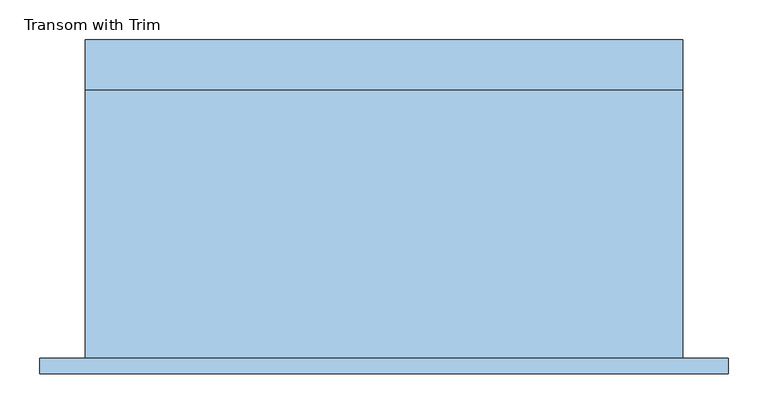
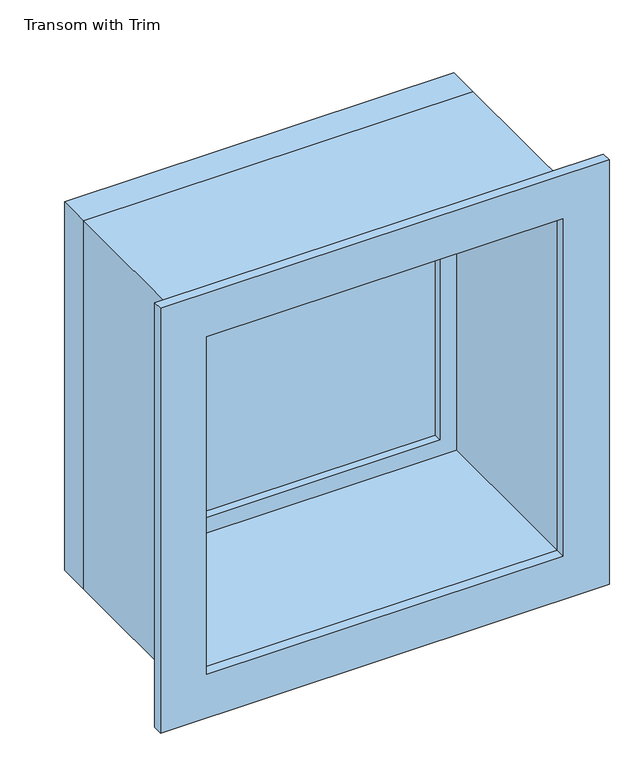
"""IFC4 building model written with IfcOpenShell, lengths in millimetres: window geometry, Transom with Trim."""

from ifc_helpers import new_model, si_unit, frame, origin, place, context, project, spatial, polyline, outline, extrude, source, transform, mapped, element, save


def transom_with_trim_39e97bac(model_context):
    return source(origin(), model_context, "Body", "SweptSolid", [
        extrude(outline(polyline([(2807.15, 394.05), (2807.15, -470.25), (1942.85, -470.25), (1942.85, 394.05), (2807.15, 394.05)]), holes=[polyline([(2718.25, 305.15), (2031.75, 305.15), (2031.75, -381.35), (2718.25, -381.35), (2718.25, 305.15)])]), frame((0.0, -219.05, 0.0), z_axis=(0.0, 1.0, 0.0), x_axis=(0.0, 0.0, 1.0)), (0.0, 0.0, 1.0), 19.05),
        extrude(outline(polyline([(273.4, 152.375), (-349.6, 152.375), (-349.6, 165.075), (273.4, 165.075), (273.4, 152.375)])), frame((0.0, 0.0, 2063.5), z_axis=(0.0, 0.0, 1.0), x_axis=(1.0, 0.0, 0.0)), (0.0, 0.0, 1.0), 623.0),
        extrude(outline(polyline([(2730.95, -394.05), (2019.05, -394.05), (2019.05, 317.85), (2730.95, 317.85), (2730.95, -394.05)]), holes=[polyline([(2686.5, -349.6), (2686.5, 273.4), (2063.5, 273.4), (2063.5, -349.6), (2686.5, -349.6)])]), frame((0.0, 136.5, 0.0), z_axis=(0.0, 1.0, 0.0), x_axis=(0.0, 0.0, 1.0)), (0.0, 0.0, 1.0), 44.45),
        extrude(outline(polyline([(2750.0, -413.1), (2000.0, -413.1), (2000.0, 336.9), (2750.0, 336.9), (2750.0, -413.1)]), holes=[polyline([(2718.25, -381.35), (2718.25, 305.15), (2031.75, 305.15), (2031.75, -381.35), (2718.25, -381.35)])]), frame((0.0, -200.0, 0.0), z_axis=(0.0, 1.0, 0.0), x_axis=(0.0, 0.0, 1.0)), (0.0, 0.0, 1.0), 336.5),
        extrude(outline(polyline([(2750.0, 336.9), (2750.0, -413.1), (2000.0, -413.1), (2000.0, 336.9), (2750.0, 336.9)]), holes=[polyline([(2730.95, 317.85), (2019.05, 317.85), (2019.05, -394.05), (2730.95, -394.05), (2730.95, 317.85)])]), frame((0.0, 136.5, 0.0), z_axis=(0.0, 1.0, 0.0), x_axis=(0.0, 0.0, 1.0)), (0.0, 0.0, 1.0), 63.5),
    ])


if __name__ == "__main__":
    model = new_model("IFC4")
    model_context = context("Model", 3, world=origin())
    ifc_project = project(units=[si_unit("LENGTHUNIT", "METRE", prefix="MILLI")], contexts=[model_context])
    site = spatial("IfcSite", under=ifc_project)
    building = spatial("IfcBuilding", under=site)
    placement = place(None, origin())
    transom_with_trim_shape = transom_with_trim_39e97bac(model_context)
    element("IfcWindow", 1, ObjectType="Transom with Trim", at=placement, inside=building, context=model_context, shape_type="MappedRepresentation", body=[
        mapped(transom_with_trim_shape, transform((0.0, 0.0, 0.0), x_axis=(1.0, 0.0, 0.0), y_axis=(0.0, 1.0, 0.0), z_axis=(0.0, 0.0, 1.0))),
    ])
    save(model, "model.ifc")
